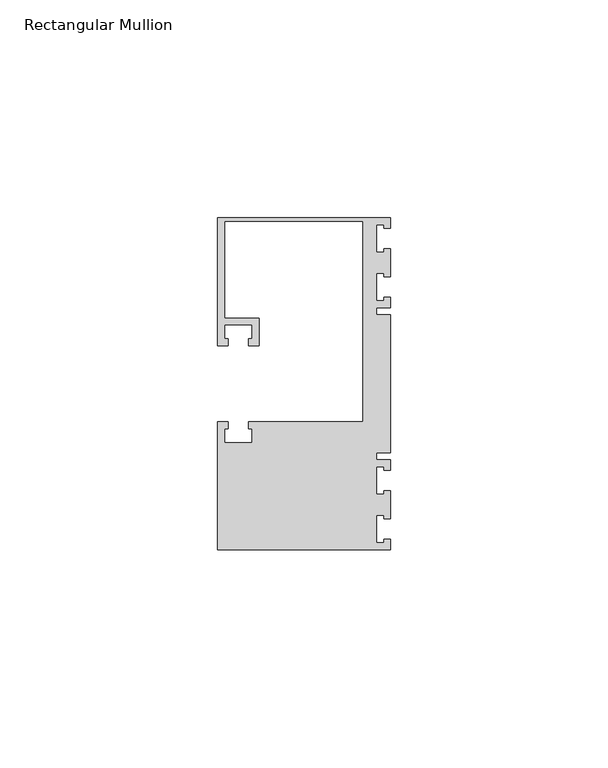
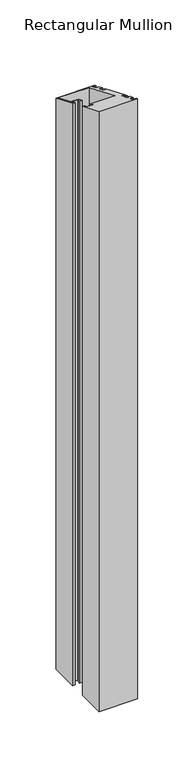
"""IFC4 building model written with IfcOpenShell, lengths in millimetres: member geometry, Rectangular Mullion."""

from ifc_helpers import new_model, si_unit, origin, place, context, project, spatial, faceted_brep, source, transform, mapped, element, save


def rectangular_mullion_3c6d4af6(model_context):
    return source(origin(), model_context, "Body", "Brep", [
        faceted_brep([(0.0, 38.1, -635.0), (0.0, 35.71875, -635.0), (-1.4999946, 35.71875, -635.0), (-1.4999946, 36.5125, -635.0), (-3.175, 36.5125, -635.0), (-3.175, 30.1625, -635.0), (-1.4999946, 30.1625, -635.0), (-1.4999946, 30.95625, -635.0), (0.0, 30.95625, -635.0), (0.0, 24.60625, -635.0), (-1.4999946, 24.60625, -635.0), (-1.4999946, 25.4, -635.0), (-3.175, 25.4, -635.0), (-3.175, 19.05, -635.0), (-1.4999946, 19.05, -635.0), (-1.4999946, 19.84375, -635.0), (0.0, 19.84375, -635.0), (0.0, 17.4625, -635.0), (-3.175, 17.4625, -635.0), (-3.175, 15.875, -635.0), (0.0, 15.875, -635.0), (0.0, -15.875, -635.0), (-3.175, -15.875, -635.0), (-3.175, -17.4625, -635.0), (0.0, -17.4625, -635.0), (0.0, -19.84375, -635.0), (-1.4999946, -19.84375, -635.0), (-1.4999946, -19.05, -635.0), (-3.175, -19.05, -635.0), (-3.175, -25.4, -635.0), (-1.4999946, -25.4, -635.0), (-1.4999946, -24.60625, -635.0), (0.0, -24.60625, -635.0), (0.0, -30.95625, -635.0), (-1.4999946, -30.95625, -635.0), (-1.4999946, -30.1625, -635.0), (-3.175, -30.1625, -635.0), (-3.175, -36.5125, -635.0), (-1.4999946, -36.5125, -635.0), (-1.4999946, -35.71875, -635.0), (0.0, -35.71875, -635.0), (0.0, -38.1, -635.0), (-39.6875, -38.1, -635.0), (-39.6875, -8.73125, -635.0), (-37.30625, -8.73125, -635.0), (-37.30625, -10.31875, -635.0), (-38.1, -10.31875, -635.0), (-38.1, -13.49375, -635.0), (-31.75, -13.49375, -635.0), (-31.75, -10.31875, -635.0), (-32.54375, -10.31875, -635.0), (-32.54375, -8.73125, -635.0), (-6.35, -8.73125, -635.0), (-6.35, 37.30625, -635.0), (-38.1, 37.30625, -635.0), (-38.1, 15.08125, -635.0), (-30.1625, 15.08125, -635.0), (-30.1625, 8.73125, -635.0), (-32.54375, 8.73125, -635.0), (-32.54375, 10.31875, -635.0), (-31.75, 10.31875, -635.0), (-31.75, 13.49375, -635.0), (-38.1, 13.49375, -635.0), (-38.1, 10.31875, -635.0), (-37.30625, 10.31875, -635.0), (-37.30625, 8.73125, -635.0), (-39.6875, 8.73125, -635.0), (-39.6875, 38.1, -635.0), (-39.6875, 38.1, -15.7815367), (0.0, 38.1, -15.7815367), (-39.6875, 8.73125, -3.6166022), (-37.30625, 8.73125, -3.6166022), (-37.30625, 10.31875, -4.2741662), (-38.1, 10.31875, -4.2741662), (-38.1, 13.49375, -5.5892943), (-31.75, 13.49375, -5.5892943), (-31.75, 10.31875, -4.2741662), (-32.54375, 10.31875, -4.2741662), (-32.54375, 8.73125, -3.6166022), (-30.1625, 8.73125, -3.6166022), (-30.1625, 15.08125, -6.2468583), (-38.1, 15.08125, -6.2468583), (-38.1, 37.30625, -15.4527547), (-6.35, 37.30625, -15.4527547), (-6.35, -8.73125, 3.6166022), (-32.54375, -8.73125, 3.6166022), (-32.54375, -10.31875, 4.2741662), (-31.75, -10.31875, 4.2741662), (-31.75, -13.49375, 5.5892943), (-38.1, -13.49375, 5.5892943), (-38.1, -10.31875, 4.2741662), (-37.30625, -10.31875, 4.2741662), (-37.30625, -8.73125, 3.6166022), (-39.6875, -8.73125, 3.6166022), (-39.6875, -38.1, 15.7815367), (0.0, -38.1, 15.7815367), (0.0, -35.71875, 14.7951907), (-1.4999946, -35.71875, 14.7951907), (-1.4999946, -36.5125, 15.1239727), (-3.175, -36.5125, 15.1239727), (-3.175, -30.1625, 12.4937166), (-1.4999946, -30.1625, 12.4937166), (-1.4999946, -30.95625, 12.8224986), (0.0, -30.95625, 12.8224986), (0.0, -24.60625, 10.1922425), (-1.4999946, -24.60625, 10.1922425), (-1.4999946, -25.4, 10.5210245), (-3.175, -25.4, 10.5210245), (-3.175, -19.05, 7.8907684), (-1.4999946, -19.05, 7.8907684), (-1.4999946, -19.84375, 8.2195504), (0.0, -19.84375, 8.2195504), (0.0, -17.4625, 7.2332043), (-3.175, -17.4625, 7.2332043), (-3.175, -15.875, 6.5756403), (0.0, -15.875, 6.5756403), (0.0, 15.875, -6.5756403), (-3.175, 15.875, -6.5756403), (-3.175, 17.4625, -7.2332043), (0.0, 17.4625, -7.2332043), (0.0, 19.84375, -8.2195504), (-1.4999946, 19.84375, -8.2195504), (-1.4999946, 19.05, -7.8907684), (-3.175, 19.05, -7.8907684), (-3.175, 25.4, -10.5210245), (-1.4999946, 25.4, -10.5210245), (-1.4999946, 24.60625, -10.1922425), (0.0, 24.60625, -10.1922425), (0.0, 30.95625, -12.8224986), (-1.4999946, 30.95625, -12.8224986), (-1.4999946, 30.1625, -12.4937166), (-3.175, 30.1625, -12.4937166), (-3.175, 36.5125, -15.1239727), (-1.4999946, 36.5125, -15.1239727), (-1.4999946, 35.71875, -14.7951907), (0.0, 35.71875, -14.7951907)], [[[0, 1, 2, 3, 4, 5, 6, 7, 8, 9, 10, 11, 12, 13, 14, 15, 16, 17, 18, 19, 20, 21, 22, 23, 24, 25, 26, 27, 28, 29, 30, 31, 32, 33, 34, 35, 36, 37, 38, 39, 40, 41, 42, 43, 44, 45, 46, 47, 48, 49, 50, 51, 52, 53, 54, 55, 56, 57, 58, 59, 60, 61, 62, 63, 64, 65, 66, 67]], [[68, 69, 0, 67]], [[70, 68, 67, 66]], [[71, 70, 66, 65]], [[72, 71, 65, 64]], [[73, 72, 64, 63]], [[74, 73, 63, 62]], [[75, 74, 62, 61]], [[76, 75, 61, 60]], [[77, 76, 60, 59]], [[78, 77, 59, 58]], [[79, 78, 58, 57]], [[80, 79, 57, 56]], [[81, 80, 56, 55]], [[82, 81, 55, 54]], [[83, 82, 54, 53]], [[84, 83, 53, 52]], [[85, 84, 52, 51]], [[86, 85, 51, 50]], [[87, 86, 50, 49]], [[88, 87, 49, 48]], [[89, 88, 48, 47]], [[90, 89, 47, 46]], [[91, 90, 46, 45]], [[92, 91, 45, 44]], [[93, 92, 44, 43]], [[94, 93, 43, 42]], [[95, 94, 42, 41]], [[96, 95, 41, 40]], [[97, 96, 40, 39]], [[98, 97, 39, 38]], [[99, 98, 38, 37]], [[100, 99, 37, 36]], [[101, 100, 36, 35]], [[102, 101, 35, 34]], [[103, 102, 34, 33]], [[104, 103, 33, 32]], [[105, 104, 32, 31]], [[106, 105, 31, 30]], [[107, 106, 30, 29]], [[108, 107, 29, 28]], [[109, 108, 28, 27]], [[110, 109, 27, 26]], [[111, 110, 26, 25]], [[112, 111, 25, 24]], [[113, 112, 24, 23]], [[114, 113, 23, 22]], [[115, 114, 22, 21]], [[116, 115, 21, 20]], [[117, 116, 20, 19]], [[118, 117, 19, 18]], [[119, 118, 18, 17]], [[120, 119, 17, 16]], [[121, 120, 16, 15]], [[122, 121, 15, 14]], [[123, 122, 14, 13]], [[124, 123, 13, 12]], [[125, 124, 12, 11]], [[126, 125, 11, 10]], [[127, 126, 10, 9]], [[128, 127, 9, 8]], [[129, 128, 8, 7]], [[130, 129, 7, 6]], [[131, 130, 6, 5]], [[132, 131, 5, 4]], [[133, 132, 4, 3]], [[134, 133, 3, 2]], [[135, 134, 2, 1]], [[69, 135, 1, 0]], [[69, 68, 70, 71, 72, 73, 74, 75, 76, 77, 78, 79, 80, 81, 82, 83, 84, 85, 86, 87, 88, 89, 90, 91, 92, 93, 94, 95, 96, 97, 98, 99, 100, 101, 102, 103, 104, 105, 106, 107, 108, 109, 110, 111, 112, 113, 114, 115, 116, 117, 118, 119, 120, 121, 122, 123, 124, 125, 126, 127, 128, 129, 130, 131, 132, 133, 134, 135]]]),
    ])


if __name__ == "__main__":
    model = new_model("IFC4")
    model_context = context("Model", 3, world=origin())
    ifc_project = project(units=[si_unit("LENGTHUNIT", "METRE", prefix="MILLI")], contexts=[model_context])
    site = spatial("IfcSite", under=ifc_project)
    building = spatial("IfcBuilding", under=site)
    placement = place(None, origin())
    rectangular_mullion_shape = rectangular_mullion_3c6d4af6(model_context)
    element("IfcMember", 1, ObjectType="Rectangular Mullion", at=placement, inside=building, context=model_context, shape_type="MappedRepresentation", body=[
        mapped(rectangular_mullion_shape, transform((0.0, 0.0, 0.0), x_axis=(1.0, 0.0, 0.0), y_axis=(0.0, 1.0, 0.0), z_axis=(0.0, 0.0, 1.0))),
    ])
    save(model, "model.ifc")
